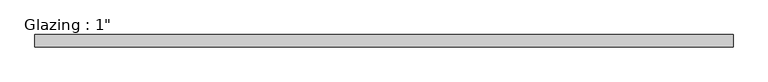
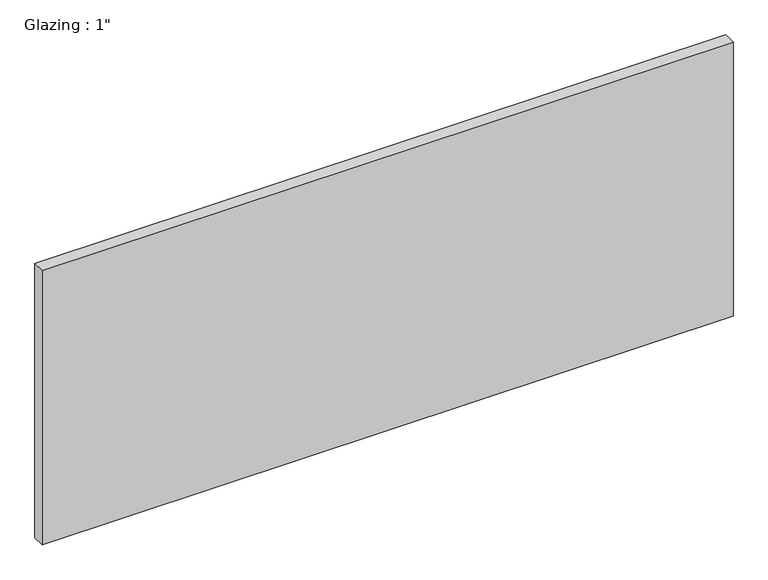
"""IFC4 building model written with IfcOpenShell, lengths in millimetres: plate geometry."""

from ifc_helpers import new_model, si_unit, origin, origin_with_axes, place, context, project, spatial, polyline, outline, extrude, source, transform, mapped, element, save


def plate_8a03faa9(model_context):
    return source(origin(), model_context, "Body", "SweptSolid", [
        extrude(outline(polyline([(707.3789731, -12.7), (-707.3789731, -12.7), (-707.3789731, 12.7), (707.3789731, 12.7), (707.3789731, -12.7)])), origin_with_axes(), (0.0, 0.0, 1.0), 593.7249245),
    ])


if __name__ == "__main__":
    model = new_model("IFC4")
    model_context = context("Model", 3, world=origin())
    ifc_project = project(units=[si_unit("LENGTHUNIT", "METRE", prefix="MILLI")], contexts=[model_context])
    site = spatial("IfcSite", under=ifc_project)
    building = spatial("IfcBuilding", under=site)
    placement = place(None, origin())
    plate_shape = plate_8a03faa9(model_context)
    element("IfcPlate", 1, ObjectType="Glazing : 1\"", at=placement, inside=building, context=model_context, shape_type="MappedRepresentation", body=[
        mapped(plate_shape, transform((0.0, 0.0, 0.0), x_axis=(1.0, 0.0, 0.0), y_axis=(0.0, 1.0, 0.0), z_axis=(0.0, 0.0, 1.0))),
    ])
    save(model, "model.ifc")
